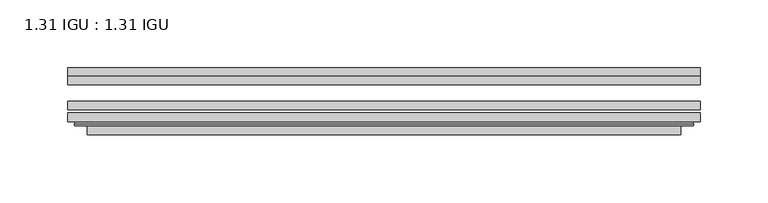
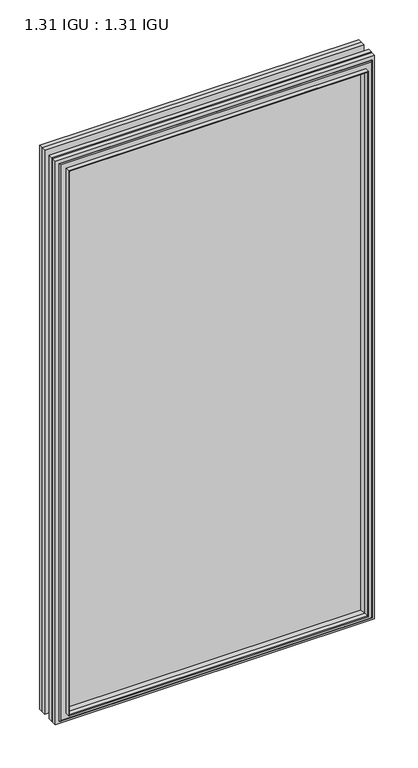
"""IFC4 building model written with IfcOpenShell, lengths in millimetres: plate geometry, 1.31 IGU : 1.31 IGU."""

import ifcopenshell
import ifcopenshell.guid

model = None  # the IFC model being written
_history = None  # IfcOwnerHistory: only IFC2X3 demands one
_inside = {}  # id of a spatial element -> (the spatial element, [elements in it])
_under = {}  # id of a project, library or spatial element -> (it, [spatial elements below it])
_declared = {}  # id of a project -> (the project, [libraries it declares])
_typed = {}  # id of a type object -> (the type object, [elements of that type])
_made_of = {}  # id of a material, layer set ... -> (it, [elements and type objects made of it])


def new_model(schema):
    """Start an empty IFC model of exactly this schema.

    Asked for "IFC4X3", IfcOpenShell would pick the latest addendum, in which some entities
    have other attributes; the version numbers below select the first issue.
    IFC2X3 requires an IfcOwnerHistory on every rooted entity: one is made here for all.
    """
    global model, _history
    if schema == "IFC4X3":
        model = ifcopenshell.file(schema_version=(4, 3, 0, 0))
    else:
        model = ifcopenshell.file(schema=schema)
    _inside.clear()
    _under.clear()
    _declared.clear()
    _typed.clear()
    _made_of.clear()
    _history = None
    if model.schema == "IFC2X3":
        org = make("IfcOrganization", Name="unknown")
        user = make(
            "IfcPersonAndOrganization",
            ThePerson=make("IfcPerson", FamilyName="unknown"),
            TheOrganization=org,
        )
        app = make(
            "IfcApplication",
            ApplicationDeveloper=org,
            Version="unknown",
            ApplicationFullName="unknown",
            ApplicationIdentifier="unknown",
        )
        _history = make(
            "IfcOwnerHistory",
            OwningUser=user,
            OwningApplication=app,
            ChangeAction="ADDED",
            CreationDate=0,
        )
    return model


def make(cls, **values):
    """One entity of the class cls with the attributes given. An attribute that is None is left unset."""
    return model.create_entity(
        cls, **{name: value for name, value in values.items() if value is not None}
    )


def rooted(cls, **values):
    """An entity with a GlobalId (a new one), such as an element, a storey or a relation."""
    return make(cls, GlobalId=ifcopenshell.guid.new(), OwnerHistory=_history, **values)


def si_unit(unit_type, name, prefix=None):
    """IfcSIUnit, for example si_unit("LENGTHUNIT", "METRE", prefix="MILLI")."""
    return make("IfcSIUnit", UnitType=unit_type, Prefix=prefix, Name=name)


def assignment(units):
    """IfcUnitAssignment: the units of a project."""
    return None if units is None else make("IfcUnitAssignment", Units=units)


def point(xyz):
    """IfcCartesianPoint."""
    return None if xyz is None else make("IfcCartesianPoint", Coordinates=xyz)


def direction(xyz):
    """IfcDirection."""
    return None if xyz is None else make("IfcDirection", DirectionRatios=xyz)


def frame(location, z_axis=None, x_axis=None):
    """IfcAxis2Placement3D, a coordinate frame: its origin and axes. An axis left out is left unset."""
    return make(
        "IfcAxis2Placement3D",
        Location=point(location),
        Axis=direction(z_axis),
        RefDirection=direction(x_axis),
    )


def origin():
    """The frame at (0, 0, 0) with its axes left unset."""
    return frame((0.0, 0.0, 0.0))


def place(relative_to, where):
    """IfcLocalPlacement: puts the frame where relative to a parent placement (None: the world)."""
    return make(
        "IfcLocalPlacement", PlacementRelTo=relative_to, RelativePlacement=where
    )


def context(
    kind, dimensions, precision=None, world=None, true_north=None, identifier=None
):
    """IfcGeometricRepresentationContext, for example the 3D "Model" context."""
    return make(
        "IfcGeometricRepresentationContext",
        ContextIdentifier=identifier,
        ContextType=kind,
        CoordinateSpaceDimension=dimensions,
        Precision=precision,
        WorldCoordinateSystem=world,
        TrueNorth=true_north,
    )


def project(units=None, contexts=None):
    """IfcProject with its units and contexts."""
    return rooted(
        "IfcProject",
        Name="project",
        RepresentationContexts=contexts,
        UnitsInContext=assignment(units),
    )


def spatial(cls, under=None, at=None, **own):
    """A site, building, storey or space (cls), placed at a placement, below another one or the project."""
    s = rooted(cls, ObjectPlacement=at, **own)
    if under is not None:
        _under.setdefault(under.id(), (under, []))[1].append(s)
    return s


def polyline(points):
    """IfcPolyline through the points."""
    return make("IfcPolyline", Points=[point(p) for p in points])


def ellipse_curve(where, semi_axis1, semi_axis2):
    """IfcEllipse in the frame where."""
    return make(
        "IfcEllipse", Position=where, SemiAxis1=semi_axis1, SemiAxis2=semi_axis2
    )


def outline(outer, holes=None, kind="AREA"):
    """IfcArbitraryClosedProfileDef: a profile drawn as a closed curve; with holes, ...WithVoids."""
    if holes is None:
        return make("IfcArbitraryClosedProfileDef", ProfileType=kind, OuterCurve=outer)
    return make(
        "IfcArbitraryProfileDefWithVoids",
        ProfileType=kind,
        OuterCurve=outer,
        InnerCurves=holes,
    )


def extrude(swept, where, along, depth):
    """IfcExtrudedAreaSolid: the profile swept, set in the frame where, extruded along a direction by depth."""
    return make(
        "IfcExtrudedAreaSolid",
        SweptArea=swept,
        Position=where,
        ExtrudedDirection=direction(along),
        Depth=depth,
    )


def faces_of(points, faces, orient=None, outer=None):
    """IfcFace entities. A face is a list of loops; a loop is a list of indices into points, from 0.

    orient and outer hold one flag for each loop. By default every Orientation is true, the
    first loop of a face is its IfcFaceOuterBound and the others are IfcFaceBound.
    """
    made = []
    for i, loops in enumerate(faces):
        bounds = []
        for j, loop in enumerate(loops):
            is_outer = j == 0 if outer is None else outer[i][j]
            bounds.append(
                make(
                    "IfcFaceOuterBound" if is_outer else "IfcFaceBound",
                    Bound=make("IfcPolyLoop", Polygon=[points[k] for k in loop]),
                    Orientation=True if orient is None else orient[i][j],
                )
            )
        made.append(make("IfcFace", Bounds=bounds))
    return made


def faceted_brep(points, faces, orient=None, outer=None, voids=None):
    """IfcFacetedBrep: a solid bounded by flat faces; with voids (closed shells), ...WithVoids."""
    shared = [point(p) for p in points]
    hull = make("IfcClosedShell", CfsFaces=faces_of(shared, faces, orient, outer))
    if voids is None:
        return make("IfcFacetedBrep", Outer=hull)
    return make(
        "IfcFacetedBrepWithVoids",
        Outer=hull,
        Voids=[
            make(cls, CfsFaces=faces_of(shared, fs, o, b)) for cls, fs, o, b in voids
        ],
    )


def shape(context_of_items, identifier, shape_type, items):
    """IfcShapeRepresentation: the items that make up one representation, for example the "Body"."""
    return make(
        "IfcShapeRepresentation",
        ContextOfItems=context_of_items,
        RepresentationIdentifier=identifier,
        RepresentationType=shape_type,
        Items=items,
    )


def source(mapping_origin, context_of_items, identifier, shape_type, items):
    """IfcRepresentationMap: a shape defined once, which mapped items show again and again."""
    return make(
        "IfcRepresentationMap",
        MappingOrigin=mapping_origin,
        MappedRepresentation=shape(context_of_items, identifier, shape_type, items),
    )


def transform(
    local_origin,
    x_axis=None,
    y_axis=None,
    z_axis=None,
    scale=None,
    scale2=None,
    scale3=None,
    uniform=True,
):
    """IfcCartesianTransformationOperator3D, or its non-uniform kind. x_axis, y_axis, z_axis: its Axis1, 2, 3."""
    if uniform:
        return make(
            "IfcCartesianTransformationOperator3D",
            Axis1=direction(x_axis),
            Axis2=direction(y_axis),
            LocalOrigin=point(local_origin),
            Scale=scale,
            Axis3=direction(z_axis),
        )
    return make(
        "IfcCartesianTransformationOperator3DnonUniform",
        Axis1=direction(x_axis),
        Axis2=direction(y_axis),
        LocalOrigin=point(local_origin),
        Scale=scale,
        Axis3=direction(z_axis),
        Scale2=scale2,
        Scale3=scale3,
    )


def mapped(mapping_source, mapping_target):
    """IfcMappedItem: shows the shape of a source again, moved by a transform."""
    return make(
        "IfcMappedItem", MappingSource=mapping_source, MappingTarget=mapping_target
    )


def made_of(thing, what):
    """Note that an element or type object is made of a material, layer set ...; save() writes the relation."""
    if what is not None:
        _made_of.setdefault(what.id(), (what, []))[1].append(thing)
    return thing


def element(
    cls,
    number,
    at=None,
    inside=None,
    cuts=None,
    type_object=None,
    material=None,
    context=None,
    identifier="Body",
    shape_type=None,
    held_by="IfcProductDefinitionShape",
    body=None,
    shapes=None,
    **own,
):
    """One element of the class cls, such as IfcWall. Its Tag is "e" and its number.

    at: its placement. inside: the storey or other place that contains it. cuts: it is an
    opening in that element (IfcRelVoidsElement). A single representation is given by context,
    identifier, shape_type and body (its items); several are given by shapes. held_by: the class
    of the entity that holds the representations. save() writes the other relations.
    """
    e = rooted(cls, Tag="e%d" % number, ObjectPlacement=at, **own)
    if body is not None:
        shapes = [shape(context, identifier, shape_type, body)]
    if shapes is not None:
        e.Representation = make(held_by, Representations=shapes)
    if inside is not None:
        _inside.setdefault(inside.id(), (inside, []))[1].append(e)
    if cuts is not None:
        rooted(
            "IfcRelVoidsElement", RelatingBuildingElement=cuts, RelatedOpeningElement=e
        )
    if type_object is not None:
        _typed.setdefault(type_object.id(), (type_object, []))[1].append(e)
    return made_of(e, material)


def aggregate(whole, parts):
    """IfcRelAggregates: a whole, such as a stair, and the parts it consists of."""
    return rooted("IfcRelAggregates", RelatingObject=whole, RelatedObjects=parts)


def save(model, path):
    """Write the relations noted so far, then the file.

    IfcRelAggregates (storeys below a building ...), IfcRelContainedInSpatialStructure (elements
    in a storey), IfcRelDefinesByType, IfcRelAssociatesMaterial and IfcRelDeclares: one each for
    every whole, place, type object, material and project.
    """
    for whole, parts in _under.values():
        aggregate(whole, parts)
    for where, things in _inside.values():
        rooted(
            "IfcRelContainedInSpatialStructure",
            RelatedElements=things,
            RelatingStructure=where,
        )
    for kind, things in _typed.values():
        rooted("IfcRelDefinesByType", RelatedObjects=things, RelatingType=kind)
    for what, things in _made_of.values():
        rooted("IfcRelAssociatesMaterial", RelatedObjects=things, RelatingMaterial=what)
    for by, libraries in _declared.values():
        rooted("IfcRelDeclares", RelatingContext=by, RelatedDefinitions=libraries)
    model.write(path)


def plane_surface(at):
    """IfcPlane: the flat surface through the origin of the frame at, square to its z axis."""
    return make("IfcPlane", Position=at)


def cylinder_surface(at, radius):
    """IfcCylindricalSurface: all points at the distance radius from the z axis of the frame at."""
    return make("IfcCylindricalSurface", Position=at, Radius=radius)


def advanced_brep(points, edges, surfaces, faces):
    """IfcAdvancedBrep: a solid bounded by faces that lie on surfaces and meet in shared edges.

    An edge is (start, end): straight between two places in points (the first is 0);
    or (start, end, curve); or (start, end, curve, False) where it runs against its curve.
    A face is (place in surfaces, loops), or (place, loops, False) where it looks against
    its surface's normal. A loop lists edges by number (the first is 1), with a minus sign
    where the edge is run from its end to its start. The first loop is the outer one.
    """
    corners = [point(p) for p in points]
    vertices = [make("IfcVertexPoint", VertexGeometry=c) for c in corners]
    made = []
    for start, end, *more in edges:
        made.append(
            make(
                "IfcEdgeCurve",
                EdgeStart=vertices[start],
                EdgeEnd=vertices[end],
                EdgeGeometry=more[0] if more else make("IfcPolyline", Points=[corners[start], corners[end]]),
                SameSense=more[1] if len(more) > 1 else True,
            )
        )
    hull = []
    for where, loops, *sense in faces:
        bounds = []
        for j, loop in enumerate(loops):
            ring = [make("IfcOrientedEdge", EdgeElement=made[abs(k) - 1], Orientation=k > 0) for k in loop]
            bounds.append(
                make(
                    "IfcFaceOuterBound" if j == 0 else "IfcFaceBound",
                    Bound=make("IfcEdgeLoop", EdgeList=ring),
                    Orientation=True,
                )
            )
        hull.append(make("IfcAdvancedFace", Bounds=bounds, FaceSurface=surfaces[where], SameSense=sense[0] if sense else True))
    return make("IfcAdvancedBrep", Outer=make("IfcClosedShell", CfsFaces=hull))


def plate_1_31_igu_1_31_igu_e7c28803(model_context):
    return source(origin(), model_context, "Body", "SolidModel", [
        extrude(outline(polyline([(233.376675, -66.4725937), (233.376675, -72.8225938), (-233.3625, -72.8225938), (-233.3625, -66.4725937), (233.376675, -66.4725937)])), frame((0.0, 0.0, -14.2875), z_axis=(0.0, 0.0, 1.0), x_axis=(1.0, 0.0, 0.0)), (0.0, 0.0, 1.0), 869.9537979),
        extrude(outline(polyline([(-233.3625, -81.4585938), (-233.3625, -75.1080887), (233.376675, -75.1080887), (233.376675, -81.4585938), (-233.3625, -81.4585938)])), frame((0.0, 0.0, -14.2875), z_axis=(0.0, 0.0, 1.0), x_axis=(1.0, 0.0, 0.0)), (0.0, 0.0, 1.0), 869.9537979),
        extrude(outline(polyline([(233.376675, -48.1337937), (233.376675, -54.4837938), (-233.3625, -54.4837938), (-233.3625, -48.1337937), (233.376675, -48.1337937)])), frame((0.0, 0.0, -14.2875), z_axis=(0.0, 0.0, 1.0), x_axis=(1.0, 0.0, 0.0)), (0.0, 0.0, 1.0), 869.9537979),
        faceted_brep([(-219.0696902, -41.7837938, 841.3696902), (-218.1772559, -48.1337937, 840.4772559), (-218.1772559, -48.1337937, 0.8977441), (-219.0696902, -41.7837938, 0.0053098), (-233.3752, -48.1337937, 855.6752), (-233.3752, -41.7837938, 855.6752), (-233.3752, -41.7837938, -14.3002), (-233.3752, -48.1337937, -14.3002), (218.1772559, -48.1337937, 0.8977441), (219.0696902, -41.7837938, 0.0053098), (233.3752, -41.7837938, -14.3002), (233.3752, -48.1337937, -14.3002), (218.1772559, -48.1337937, 840.4772559), (219.0696902, -41.7837938, 841.3696902), (233.3752, -41.7837938, 855.6752), (233.3752, -48.1337937, 855.6752)], [[[0, 1, 2, 3]], [[4, 5, 6, 7]], [[3, 2, 8, 9]], [[7, 6, 10, 11]], [[9, 8, 12, 13]], [[11, 10, 14, 15]], [[7, 11, 15, 4], [1, 12, 8, 2]], [[13, 12, 1, 0]], [[5, 14, 10, 6], [3, 9, 13, 0]], [[15, 14, 5, 4]]]),
        advanced_brep(
        [(-227.4736349, -84.6335938, 849.7736349), (-228.4754244, -83.4482604, 850.7754244), (-228.4754244, -83.4482604, -9.4004244), (-227.4736349, -84.6335938, -8.3986349), (-219.0695784, -91.0948368, 841.3695784), (-219.0695784, -84.6335938, 841.3695784), (-219.0695784, -84.6335938, 0.0054216), (-219.0695784, -91.0948368, 0.0054216), (-218.0789217, -90.6958619, 840.3789217), (-218.0789217, -90.6958619, 0.9960783), (-217.0468939, -85.2986307, 839.3468939), (-217.0468939, -85.2986307, 2.0281061), (-212.1120621, -81.4585938, 834.4120621), (-212.1120621, -81.4585938, 6.9629379), (-226.121219, -81.4585938, 848.421219), (-226.121219, -81.4585938, -7.046219), (228.4754244, -83.4482604, -9.4004244), (227.4736349, -84.6335938, -8.3986349), (219.0695784, -84.6335938, 0.0054216), (219.0695784, -91.0948368, 0.0054216), (218.0789217, -90.6958619, 0.9960783), (217.0468939, -85.2986307, 2.0281061), (212.1120621, -81.4585938, 6.9629379), (226.121219, -81.4585938, -7.046219), (228.4754244, -83.4482604, 850.7754244), (227.4736349, -84.6335938, 849.7736349), (219.0695784, -84.6335938, 841.3695784), (219.0695784, -91.0948368, 841.3695784), (218.0789217, -90.6958619, 840.3789217), (217.0468939, -85.2986307, 839.3468939), (212.1120621, -81.4585938, 834.4120621), (226.121219, -81.4585938, 848.421219)],
        [
            (0, 1, ellipse_curve(frame((-227.4736349, -83.6175938, 849.7736349), z_axis=(-0.7071067811865475, 0.0, -0.7071067811865475), x_axis=(-0.7071067811865474, 0.0, 0.7071067811865476)), 1.436841, 1.016)),
            (1, 2),
            (2, 3, ellipse_curve(frame((-227.4736349, -83.6175938, -8.3986349), z_axis=(-0.7071067811865475, 0.0, 0.7071067811865475), x_axis=(0.7071067811865474, 0.0, 0.7071067811865476)), 1.436841, 1.016)),
            (3, 0),
            (4, 5),
            (5, 6),
            (6, 7),
            (7, 4),
            (8, 4, ellipse_curve(frame((-218.7026219, -90.5766015, 841.0026219), z_axis=(-0.7071067811865475, 0.0, -0.7071067811865475), x_axis=(-0.7071067811865474, 0.0, 0.7071067811865476)), 0.8980256, 0.635)),
            (7, 9, ellipse_curve(frame((-218.7026219, -90.5766015, 0.3723781), z_axis=(-0.7071067811865475, 0.0, 0.7071067811865475), x_axis=(0.7071067811865474, 0.0, 0.7071067811865476)), 0.8980256, 0.635)),
            (9, 8),
            (10, 8),
            (9, 11),
            (11, 10),
            (12, 10),
            (11, 13),
            (13, 12),
            (1, 14, ellipse_curve(frame((-226.121219, -83.8461938, 848.421219), z_axis=(-0.7071067811865475, 0.0, -0.7071067811865475), x_axis=(-0.7071067811865474, 0.0, 0.7071067811865476)), 3.3765763, 2.3876)),
            (14, 15),
            (15, 2, ellipse_curve(frame((-226.121219, -83.8461938, -7.046219), z_axis=(-0.7071067811865475, 0.0, 0.7071067811865475), x_axis=(0.7071067811865474, 0.0, 0.7071067811865476)), 3.3765763, 2.3876)),
            (2, 16),
            (16, 17, ellipse_curve(frame((227.4736349, -83.6175938, -8.3986349), z_axis=(-0.7071067811865475, 0.0, -0.7071067811865475), x_axis=(-0.7071067811865476, 0.0, 0.7071067811865474)), 1.436841, 1.016)),
            (17, 3),
            (6, 18),
            (18, 19),
            (19, 7),
            (19, 20, ellipse_curve(frame((218.7026219, -90.5766015, 0.3723781), z_axis=(-0.7071067811865475, 0.0, -0.7071067811865475), x_axis=(-0.7071067811865476, 0.0, 0.7071067811865474)), 0.8980256, 0.635)),
            (20, 9),
            (20, 21),
            (21, 11),
            (21, 22),
            (22, 13),
            (15, 23),
            (23, 16, ellipse_curve(frame((226.121219, -83.8461938, -7.046219), z_axis=(-0.7071067811865475, 0.0, -0.7071067811865475), x_axis=(-0.7071067811865476, 0.0, 0.7071067811865474)), 3.3765763, 2.3876)),
            (16, 24),
            (24, 25, ellipse_curve(frame((227.4736349, -83.6175938, 849.7736349), z_axis=(0.7071067811865475, 0.0, -0.7071067811865475), x_axis=(-0.7071067811865474, 0.0, -0.7071067811865476)), 1.436841, 1.016)),
            (25, 17),
            (18, 26),
            (26, 27),
            (27, 19),
            (27, 28, ellipse_curve(frame((218.7026219, -90.5766015, 841.0026219), z_axis=(0.7071067811865475, 0.0, -0.7071067811865475), x_axis=(-0.7071067811865474, 0.0, -0.7071067811865476)), 0.8980256, 0.635)),
            (28, 20),
            (28, 29),
            (29, 21),
            (29, 30),
            (30, 22),
            (23, 31),
            (31, 24, ellipse_curve(frame((226.121219, -83.8461938, 848.421219), z_axis=(0.7071067811865475, 0.0, -0.7071067811865475), x_axis=(-0.7071067811865474, 0.0, -0.7071067811865476)), 3.3765763, 2.3876)),
            (24, 1),
            (0, 25),
            (5, 26),
            (4, 27),
            (8, 28),
            (10, 29),
            (12, 30),
            (14, 31),
        ],
        [
            cylinder_surface(frame((-227.4736349, -83.6175938, 873.125), z_axis=(0.0, 0.0, 1.0), x_axis=(-1.0, 0.0, 0.0)), 1.016),
            plane_surface(frame((-219.0695784, -84.6335938, 841.3695784), z_axis=(-1.0, 0.0, 0.0), x_axis=(0.0, 0.0, -1.0))),
            cylinder_surface(frame((-218.7026219, -90.5766015, 873.125), z_axis=(0.0, 0.0, 1.0), x_axis=(-1.0, 0.0, 0.0)), 0.635),
            plane_surface(frame((-218.0789217, -90.6958619, 840.3789217), z_axis=(0.9822050625507717, -0.18781164793386754, 0.0), x_axis=(0.0, 0.0, -1.0))),
            plane_surface(frame((-217.0468939, -85.2986307, 839.3468939), z_axis=(0.6141233906514726, -0.7892100234124875, 0.0), x_axis=(0.0, 0.0, -1.0))),
            cylinder_surface(frame((-226.121219, -83.8461938, 873.125), z_axis=(0.0, 0.0, 1.0), x_axis=(-1.0, 0.0, 0.0)), 2.3876),
            cylinder_surface(frame((-250.825, -83.6175938, -8.3986349), z_axis=(-1.0, 0.0, 0.0), x_axis=(0.0, 0.0, -1.0)), 1.016),
            plane_surface(frame((-219.0695784, -84.6335938, 0.0054216), z_axis=(0.0, 0.0, -1.0), x_axis=(1.0, 0.0, 0.0))),
            cylinder_surface(frame((-250.825, -90.5766015, 0.3723781), z_axis=(-1.0, 0.0, 0.0), x_axis=(0.0, 0.0, -1.0)), 0.635),
            plane_surface(frame((-218.0789217, -90.6958619, 0.9960783), z_axis=(0.0, -0.18781164793386435, 0.9822050625507722), x_axis=(1.0, 0.0, 0.0))),
            plane_surface(frame((-217.0468939, -85.2986307, 2.0281061), z_axis=(0.0, -0.7892100234124855, 0.6141233906514751), x_axis=(1.0, 0.0, 0.0))),
            cylinder_surface(frame((-250.825, -83.8461938, -7.046219), z_axis=(-1.0, 0.0, 0.0), x_axis=(0.0, 0.0, -1.0)), 2.3876),
            cylinder_surface(frame((227.4736349, -83.6175938, -31.75), z_axis=(0.0, 0.0, -1.0), x_axis=(1.0, 0.0, 0.0)), 1.016),
            plane_surface(frame((219.0695784, -84.6335938, 0.0054216), z_axis=(1.0, 0.0, 0.0), x_axis=(0.0, 0.0, 1.0))),
            cylinder_surface(frame((218.7026219, -90.5766015, -31.75), z_axis=(0.0, 0.0, -1.0), x_axis=(1.0, 0.0, 0.0)), 0.635),
            plane_surface(frame((218.0789217, -90.6958619, 0.9960783), z_axis=(-0.9822050625507728, -0.18781164793386115, 0.0), x_axis=(0.0, 0.0, 1.0))),
            plane_surface(frame((217.0468939, -85.2986307, 2.0281061), z_axis=(-0.6141233906514777, -0.7892100234124835, 0.0), x_axis=(0.0, 0.0, 1.0))),
            cylinder_surface(frame((226.121219, -83.8461938, -31.75), z_axis=(0.0, 0.0, -1.0), x_axis=(1.0, 0.0, 0.0)), 2.3876),
            cylinder_surface(frame((250.825, -83.6175938, 849.7736349), z_axis=(1.0, 0.0, 0.0), x_axis=(0.0, 0.0, 1.0)), 1.016),
            plane_surface(frame((227.4736349, -84.6335938, 849.7736349), z_axis=(0.0, -1.0, 0.0), x_axis=(-1.0, 0.0, 0.0))),
            plane_surface(frame((219.0695784, -84.6335938, 841.3695784), z_axis=(0.0, 0.0, 1.0), x_axis=(-1.0, 0.0, 0.0))),
            cylinder_surface(frame((250.825, -90.5766015, 841.0026219), z_axis=(1.0, 0.0, 0.0), x_axis=(0.0, 0.0, 1.0)), 0.635),
            plane_surface(frame((218.0789217, -90.6958619, 840.3789217), z_axis=(0.0, -0.18781164793386435, -0.9822050625507722), x_axis=(-1.0, 0.0, 0.0))),
            plane_surface(frame((217.0468939, -85.2986307, 839.3468939), z_axis=(0.0, -0.7892100234124855, -0.6141233906514751), x_axis=(-1.0, 0.0, 0.0))),
            plane_surface(frame((212.1120621, -81.4585938, 834.4120621), z_axis=(0.0, 1.0, 0.0), x_axis=(-1.0, 0.0, 0.0))),
            cylinder_surface(frame((250.825, -83.8461938, 848.421219), z_axis=(1.0, 0.0, 0.0), x_axis=(0.0, 0.0, 1.0)), 2.3876),
        ],
        [
            (0, [[1, 2, 3, 4]]),
            (1, [[5, 6, 7, 8]]),
            (2, [[9, -8, 10, 11]]),
            (3, [[12, -11, 13, 14]]),
            (4, [[15, -14, 16, 17]]),
            (5, [[18, 19, 20, -2]]),
            (6, [[-3, 21, 22, 23]]),
            (7, [[-7, 24, 25, 26]]),
            (8, [[-10, -26, 27, 28]]),
            (9, [[-13, -28, 29, 30]]),
            (10, [[-16, -30, 31, 32]]),
            (11, [[-20, 33, 34, -21]]),
            (12, [[-22, 35, 36, 37]]),
            (13, [[-25, 38, 39, 40]]),
            (14, [[-27, -40, 41, 42]]),
            (15, [[-29, -42, 43, 44]]),
            (16, [[-31, -44, 45, 46]]),
            (17, [[-34, 47, 48, -35]]),
            (18, [[-36, 49, -1, 50]]),
            (19, [[-23, -37, -50, -4], [51, -38, -24, -6]]),
            (20, [[-39, -51, -5, 52]]),
            (21, [[-41, -52, -9, 53]]),
            (22, [[-43, -53, -12, 54]]),
            (23, [[-45, -54, -15, 55]]),
            (24, [[56, -47, -33, -19], [-32, -46, -55, -17]]),
            (25, [[-48, -56, -18, -49]]),
        ],
    ),
    ])


if __name__ == "__main__":
    model = new_model("IFC4")
    model_context = context("Model", 3, world=origin())
    ifc_project = project(units=[si_unit("LENGTHUNIT", "METRE", prefix="MILLI")], contexts=[model_context])
    site = spatial("IfcSite", under=ifc_project)
    building = spatial("IfcBuilding", under=site)
    placement = place(None, origin())
    plate_1_31_igu_1_31_igu_shape = plate_1_31_igu_1_31_igu_e7c28803(model_context)
    element("IfcPlate", 1, ObjectType="1.31 IGU : 1.31 IGU", at=placement, inside=building, context=model_context, shape_type="MappedRepresentation", body=[
        mapped(plate_1_31_igu_1_31_igu_shape, transform((0.0, 0.0, 0.0), x_axis=(1.0, 0.0, 0.0), y_axis=(0.0, 1.0, 0.0), z_axis=(0.0, 0.0, 1.0))),
    ])
    save(model, "model.ifc")
